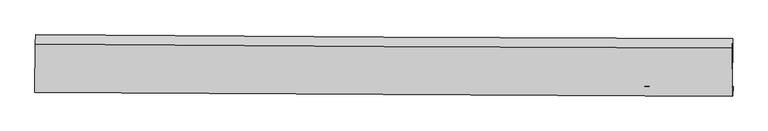
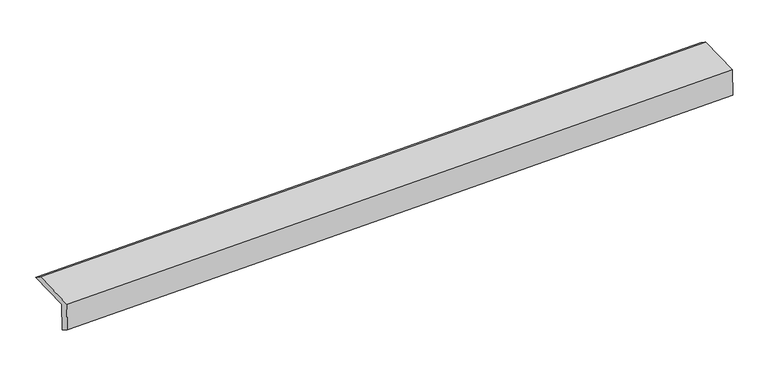
"""IFC4 building model written with IfcOpenShell, lengths in millimetres: proxy geometry."""

from ifc_helpers import new_model, si_unit, frame, origin, place, context, project, spatial, source, transform, mapped, element, save
from ifc_brep_helpers import plane_surface, spline_curve, spline_surface, advanced_brep


def generic_models_9994e1fb(model_context):
    return source(origin(), model_context, "Body", "AdvancedBrep", [
        advanced_brep(
        [(-4757.6327578, -1773.6780294, 1523.1284246), (-4768.660721, -1780.0475367, 1918.853598), (4755.4849512, -1832.8853364, 2183.4194736), (4766.5129144, -1826.5158291, 1787.6943002), (-4761.0572141, -1903.4687144, 1605.9198715), (4763.0884581, -1956.3065141, 1870.4857471), (-4772.1548571, -1909.8784673, 2004.1454211), (4751.9908151, -1962.7162669, 2268.7112967), (-4766.7248969, -1251.2776298, 2014.8974393), (4757.4207753, -1304.1154294, 2279.4633149), (-4763.2267109, -1120.9554834, 1929.6136355), (4760.9189613, -1173.7932831, 2194.1795111)],
        [
            (0, 1),
            (1, 2, spline_curve(3, [(-4768.660721, -1780.0475367, 1918.853598), (-3185.820972899, -1792.124037313, 1962.769371605), (-1602.97284595, -1802.557624115, 2006.711822328), (1571.742282148, -1820.18896494, 2094.900143603), (3163.609379769, -1827.367977952, 2139.146317361), (4755.4849512, -1832.8853364, 2183.4194736)], [4, 2, 4], [0.0, 15.585554422165497, 31.259747967346684])),
            (2, 3),
            (3, 0, spline_curve(3, [(4766.5129144, -1826.5158291, 1787.6943002), (3174.637342969, -1820.998470652, 1743.421143961), (1582.770245248, -1813.81945764, 1699.174970203), (-1591.94488285, -1796.188116815, 1610.986648928), (-3174.793009699, -1785.754530013, 1567.044198205), (-4757.6327578, -1773.6780294, 1523.1284246)], [4, 2, 4], [0.0, 15.674193545181186, 31.259747967346684])),
            (4, 0),
            (3, 5),
            (5, 4, spline_curve(3, [(4763.0884581, -1956.3065141, 1870.4857471), (3171.212886669, -1950.789155652, 1826.212590861), (1579.345789048, -1943.61014264, 1781.966417103), (-1595.36933905, -1925.978801815, 1693.778095828), (-3178.217465999, -1915.545215013, 1649.835645105), (-4761.0572141, -1903.4687144, 1605.9198715)], [4, 2, 4], [0.0, 15.6741935451812, 31.259747967346712])),
            (6, 4),
            (5, 7),
            (7, 6, spline_curve(3, [(4751.9908151, -1962.7162669, 2268.7112967), (3160.115243669, -1957.198908452, 2224.438140461), (1568.248146048, -1950.01989554, 2180.191966703), (-1606.46698205, -1932.388554715, 2092.003645428), (-3189.315108999, -1921.954967913, 2048.061194705), (-4772.1548571, -1909.8784673, 2004.1454211)], [4, 2, 4], [0.0, 15.674193545181215, 31.25974796734674])),
            (8, 6),
            (7, 9),
            (9, 8, spline_curve(3, [(4757.4207753, -1304.1154294, 2279.4633149), (3165.545203869, -1298.598070952, 2235.190158661), (1573.678106148, -1291.41905804, 2190.943984903), (-1601.03702195, -1273.787717215, 2102.755663628), (-3183.885148799, -1263.354130413, 2058.813212905), (-4766.7248969, -1251.2776298, 2014.8974393)], [4, 2, 4], [0.0, 15.67419354518119, 31.25974796734669])),
            (10, 8),
            (9, 11),
            (11, 10, spline_curve(3, [(4760.9189613, -1173.7932831, 2194.1795111), (3169.043389869, -1168.275924652, 2149.906354861), (1577.176292148, -1161.09691164, 2105.660181103), (-1597.53883595, -1143.465570815, 2017.471859828), (-3180.386962799, -1133.031984013, 1973.529409105), (-4763.2267109, -1120.9554834, 1929.6136355)], [4, 2, 4], [0.0, 15.67419354518119, 31.25974796734669])),
            (1, 10),
            (11, 2),
        ],
        [
            spline_surface(3, 3, [[(-4757.6327578, -1773.6780294, 1523.1284246), (-3174.793009566, -1785.754530234, 1567.044198135), (-1591.944883047, -1796.188117029, 1610.986649114), (1582.770245445, -1813.819457425, 1699.174970016), (3174.637343001, -1820.998470545, 1743.421144221), (4766.5129144, -1826.5158291, 1787.6943002)], [(-4761.308745525, -1775.801198503, 1655.036815724), (-3178.468997291, -1787.877699337, 1698.952589259), (-1595.620870772, -1798.311286133, 1742.895040238), (1579.09425772, -1815.942626528, 1831.08336114), (3170.961355276, -1823.121639648, 1875.329535345), (4762.836926675, -1828.638998203, 1919.602691324)], [(-4764.984733275, -1777.924367597, 1786.945206876), (-3182.144985041, -1790.00086843, 1830.860980411), (-1599.296858422, -1800.434455226, 1874.80343139), (1575.418270071, -1818.065795622, 1962.991752291), (3167.285367527, -1825.244808741, 2007.237926497), (4759.160938925, -1830.762167297, 2051.511082476)], [(-4768.660721, -1780.0475367, 1918.853598), (-3185.820972766, -1792.124037534, 1962.769371535), (-1602.972846147, -1802.557624329, 2006.711822514), (1571.742282345, -1820.188964725, 2094.900143416), (3163.609379801, -1827.367977845, 2139.146317621), (4755.4849512, -1832.8853364, 2183.4194736)]], [4, 4], [4, 2, 4], [0.0, 1.298983082720858], [0.0, 15.585554422165497, 31.259747967346684]),
            spline_surface(3, 3, [[(-4761.0572141, -1903.4687144, 1605.9198715), (-3178.217465866, -1915.545215234, 1649.835645035), (-1595.369339247, -1925.978802029, 1693.778096014), (1579.345789245, -1943.610142425, 1781.966416916), (3171.212886701, -1950.789155545, 1826.212591121), (4763.0884581, -1956.3065141, 1870.4857471)], [(-4759.915728671, -1860.205152724, 1578.322722539), (-3177.075980437, -1872.281653558, 1622.238496074), (-1594.227853818, -1882.715240354, 1666.180947054), (1580.487274674, -1900.346580749, 1754.369267955), (3172.35437213, -1907.525593869, 1798.61544216), (4764.229943529, -1913.042952424, 1842.888598139)], [(-4758.774243229, -1816.941591076, 1550.725573561), (-3175.934494995, -1829.018091909, 1594.641347095), (-1593.086368476, -1839.451678705, 1638.583798075), (1581.628760016, -1857.083019101, 1726.772118976), (3173.495857572, -1864.26203222, 1771.018293181), (4765.371428971, -1869.779390776, 1815.291449161)], [(-4757.6327578, -1773.6780294, 1523.1284246), (-3174.793009566, -1785.754530234, 1567.044198135), (-1591.944883047, -1796.188117029, 1610.986649114), (1582.770245445, -1813.819457425, 1699.174970016), (3174.637343001, -1820.998470545, 1743.421144221), (4766.5129144, -1826.5158291, 1787.6943002)]], [4, 4], [4, 2, 4], [0.0, 0.5052043101415465], [0.0, 15.585554422165512, 31.259747967346712]),
            spline_surface(3, 3, [[(-4772.1548571, -1909.8784673, 2004.1454211), (-3189.315108866, -1921.954968134, 2048.061194635), (-1606.466982247, -1932.388554929, 2092.003645614), (1568.248146245, -1950.019895325, 2180.191966516), (3160.115243701, -1957.198908345, 2224.438140721), (4751.9908151, -1962.7162669, 2268.7112967)], [(-4768.455642769, -1907.741883024, 1871.403571218), (-3185.615894535, -1919.818383857, 1915.319344753), (-1602.767767916, -1930.251970653, 1959.261795733), (1571.947360576, -1947.883311049, 2047.450116634), (3163.814458032, -1955.062324068, 2091.696290839), (4755.690029431, -1960.579682624, 2135.969446818)], [(-4764.756428431, -1905.605298676, 1738.661721382), (-3181.916680196, -1917.68179951, 1782.577494916), (-1599.068553578, -1928.115386306, 1826.519945896), (1575.646574915, -1945.746726701, 1914.708266797), (3167.513672371, -1952.925739821, 1958.954441002), (4759.389243769, -1958.443098376, 2003.227596982)], [(-4761.0572141, -1903.4687144, 1605.9198715), (-3178.217465866, -1915.545215234, 1649.835645035), (-1595.369339247, -1925.978802029, 1693.778096014), (1579.345789245, -1943.610142425, 1781.966416916), (3171.212886701, -1950.789155545, 1826.212591121), (4763.0884581, -1956.3065141, 1870.4857471)]], [4, 4], [4, 2, 4], [0.0, 1.3071906638827337], [0.0, 15.585554422165526, 31.25974796734674]),
            plane_surface(frame((-4769.439877, -1580.5780485, 2009.5214302), z_axis=(-0.027853312354900926, -0.016087456388811604, 0.9994825594965621), x_axis=(-0.008243312039478966, -0.9998327927617742, -0.016322816080903704))),
            spline_surface(3, 3, [[(-4763.2267109, -1120.9554834, 1929.6136355), (-3180.386962666, -1133.031984234, 1973.529409035), (-1597.538836147, -1143.465571029, 2017.471860014), (1577.176292345, -1161.096911425, 2105.660180916), (3169.043389901, -1168.275924545, 2149.906355121), (4760.9189613, -1173.7932831, 2194.1795111)], [(-4764.392772909, -1164.396198855, 1958.041570096), (-3181.553024674, -1176.472699688, 2001.957343631), (-1598.704898156, -1186.906286484, 2045.89979461), (1576.010230337, -1204.53762688, 2134.088115511), (3167.877327893, -1211.716639999, 2178.334289717), (4759.752899291, -1217.233998555, 2222.607445696)], [(-4765.558834891, -1207.836914345, 1986.469504704), (-3182.719086657, -1219.913415179, 2030.385278239), (-1599.870960138, -1230.347001975, 2074.327729218), (1574.844168354, -1247.97834237, 2162.51605012), (3166.71126591, -1255.15735539, 2206.762224325), (4758.586837309, -1260.674713945, 2251.035380304)], [(-4766.7248969, -1251.2776298, 2014.8974393), (-3183.885148666, -1263.354130634, 2058.813212835), (-1601.037022147, -1273.787717429, 2102.755663814), (1573.678106345, -1291.419057825, 2190.943984716), (3165.545203901, -1298.598070845, 2235.190158921), (4757.4207753, -1304.1154294, 2279.4633149)]], [4, 4], [4, 2, 4], [0.0, 0.5111104879067544], [0.0, 15.585554422165501, 31.25974796734669]),
            plane_surface(frame((-4765.9437159, -1450.5015101, 1924.2336167), z_axis=(0.02785331235490074, 0.01608745638881196, -0.9994825594965621), x_axis=(0.008243312039478215, 0.9998327927617743, 0.016322816080904037))),
            plane_surface(frame((4759.2361459, -1676.0554432, 2097.3256073), z_axis=(0.9995780313699778, -0.008693691110760262, 0.02771604115653155), x_axis=(-0.008243312039478966, -0.9998327927617742, -0.016322816080903704))),
            plane_surface(frame((-4764.9095263, -1623.2176435, 1832.7597316), z_axis=(-0.9995780313699767, 0.008693691110894141, -0.027716041156530383), x_axis=(0.027853312354901332, 0.016087456388808662, -0.999482559496562))),
        ],
        [
            (0, [[1, 2, 3, 4]]),
            (1, [[5, -4, 6, 7]]),
            (2, [[8, -7, 9, 10]]),
            (3, [[11, -10, 12, 13]]),
            (4, [[14, -13, 15, 16]]),
            (5, [[17, -16, 18, -2]]),
            (6, [[-12, -9, -6, -3, -18, -15]]),
            (7, [[-1, -5, -8, -11, -14, -17]]),
        ],
    ),
    ])


if __name__ == "__main__":
    model = new_model("IFC4")
    model_context = context("Model", 3, world=origin())
    ifc_project = project(units=[si_unit("LENGTHUNIT", "METRE", prefix="MILLI")], contexts=[model_context])
    site = spatial("IfcSite", under=ifc_project)
    building = spatial("IfcBuilding", under=site)
    placement = place(None, origin())
    generic_models_shape = generic_models_9994e1fb(model_context)
    element("IfcBuildingElementProxy", 1, Name="Generic Models", at=placement, inside=building, context=model_context, shape_type="MappedRepresentation", body=[
        mapped(generic_models_shape, transform((0.0, 0.0, 0.0), x_axis=(1.0, 0.0, 0.0), y_axis=(0.0, 1.0, 0.0), z_axis=(0.0, 0.0, 1.0))),
    ])
    save(model, "model.ifc")
